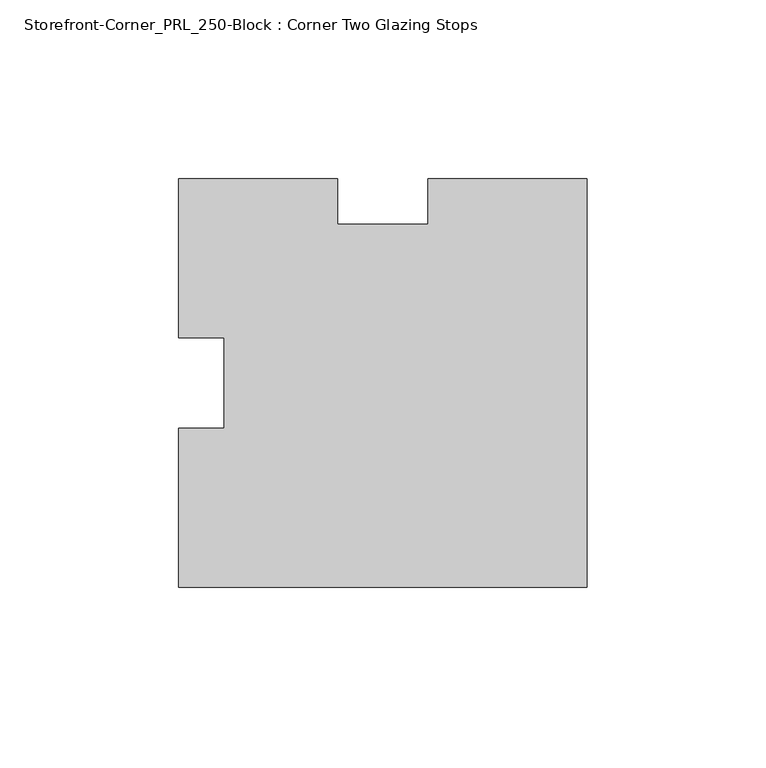
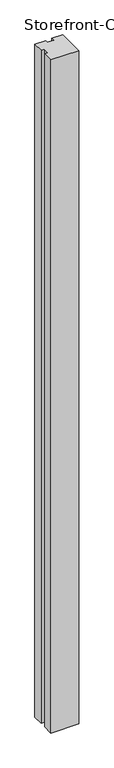
"""IFC4 building model written with IfcOpenShell, lengths in millimetres: proxy geometry, Storefront-Corner_PRL_250-Block : Corner Two Glazing Stops."""

from ifc_helpers import new_model, si_unit, origin, origin_with_axes, place, context, project, spatial, polyline, outline, extrude, source, transform, mapped, element, save


def storefront_corner_prl_250_block_corner_two_glazing_stops_706e4bf7(model_context):
    return source(origin(), model_context, "Body", "SweptSolid", [
        extrude(outline(polyline([(-57.15, 12.7), (-57.15, 57.15), (-12.7, 57.15), (-12.7, 44.45), (12.7, 44.45), (12.7, 57.15), (57.15, 57.15), (57.15, -57.15), (-57.15, -57.15), (-57.15, -12.7), (-44.45, -12.7), (-44.45, 12.7), (-57.15, 12.7)])), origin_with_axes(), (0.0, 0.0, 1.0), 2933.7),
    ])


if __name__ == "__main__":
    model = new_model("IFC4")
    model_context = context("Model", 3, world=origin())
    ifc_project = project(units=[si_unit("LENGTHUNIT", "METRE", prefix="MILLI")], contexts=[model_context])
    site = spatial("IfcSite", under=ifc_project)
    building = spatial("IfcBuilding", under=site)
    placement = place(None, origin())
    storefront_corner_prl_250_block_corner_two_glazing_stops_shape = storefront_corner_prl_250_block_corner_two_glazing_stops_706e4bf7(model_context)
    element("IfcBuildingElementProxy", 1, Name="Storefront-Corner_PRL_250-Block : Corner Two Glazing Stops", ObjectType="Storefront-Corner_PRL_250-Block : Corner Two Glazing Stops", at=placement, inside=building, context=model_context, shape_type="MappedRepresentation", body=[
        mapped(storefront_corner_prl_250_block_corner_two_glazing_stops_shape, transform((0.0, 0.0, 0.0), x_axis=(1.0, 0.0, 0.0), y_axis=(0.0, 1.0, 0.0), z_axis=(0.0, 0.0, 1.0))),
    ])
    save(model, "model.ifc")
